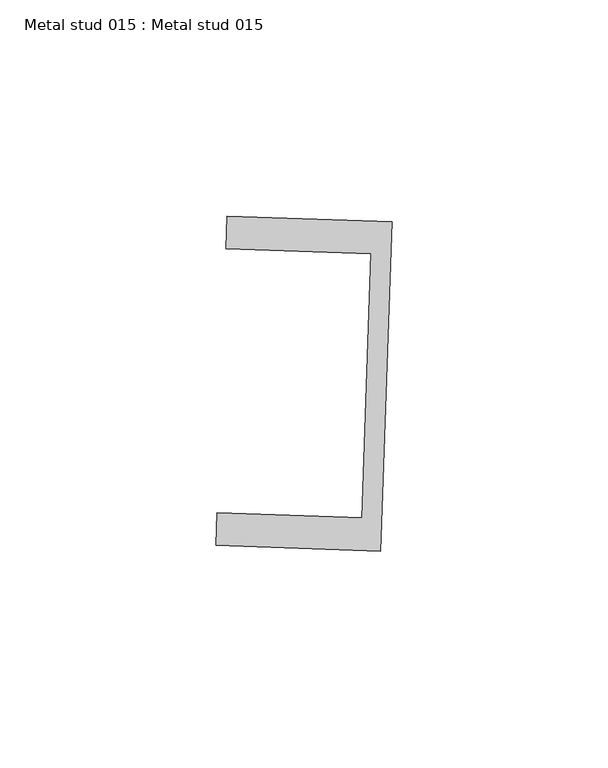
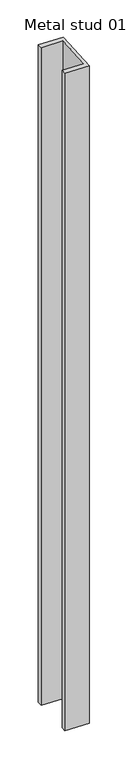
"""IFC4 building model written with IfcOpenShell, lengths in millimetres: proxy geometry, Metal stud 015 : Metal stud 015."""

from ifc_helpers import new_model, si_unit, frame, origin, place, context, project, spatial, polyline, outline, extrude, source, transform, mapped, element, save


def metal_stud_015_metal_stud_015_7c863f22(model_context):
    return source(origin(), model_context, "Body", "SweptSolid", [
        extrude(outline(polyline([(34100.1962593, -14834.5125141), (34097.5900835, -14910.6679332), (34059.512374, -14909.3648453), (34059.7688873, -14901.8692332), (34093.3492296, -14903.018413), (34095.4423786, -14841.8542182), (34061.8620364, -14840.7050384), (34062.1185498, -14833.2094262), (34100.1962593, -14834.5125141)])), frame((0.0, 0.0, 3009.9), z_axis=(0.0, 0.0, 1.0), x_axis=(1.0, 0.0, 0.0)), (0.0, 0.0, 1.0), 1092.2),
    ])


if __name__ == "__main__":
    model = new_model("IFC4")
    model_context = context("Model", 3, world=origin())
    ifc_project = project(units=[si_unit("LENGTHUNIT", "METRE", prefix="MILLI")], contexts=[model_context])
    site = spatial("IfcSite", under=ifc_project)
    building = spatial("IfcBuilding", under=site)
    placement = place(None, origin())
    metal_stud_015_metal_stud_015_shape = metal_stud_015_metal_stud_015_7c863f22(model_context)
    element("IfcBuildingElementProxy", 1, Name="Metal stud 015 : Metal stud 015", ObjectType="Metal stud 015 : Metal stud 015", at=placement, inside=building, context=model_context, shape_type="MappedRepresentation", body=[
        mapped(metal_stud_015_metal_stud_015_shape, transform((0.0, 0.0, 0.0), x_axis=(1.0, 0.0, 0.0), y_axis=(0.0, 1.0, 0.0), z_axis=(0.0, 0.0, 1.0))),
    ])
    save(model, "model.ifc")
